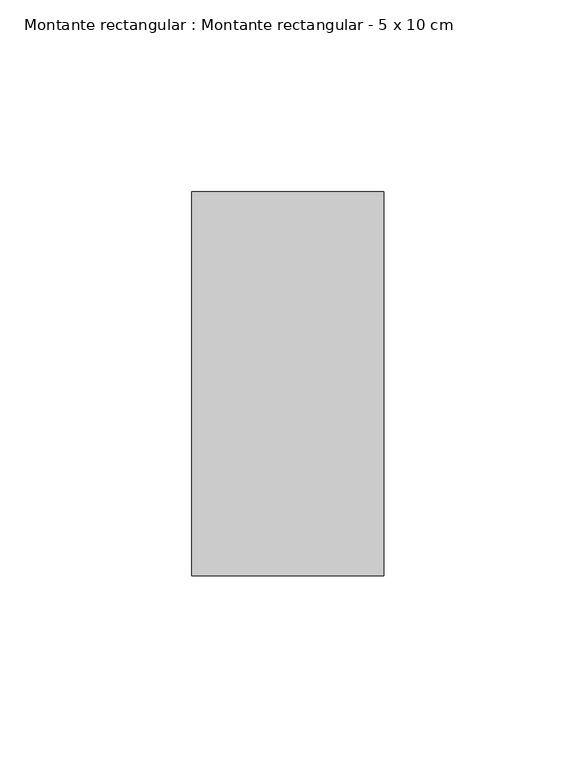
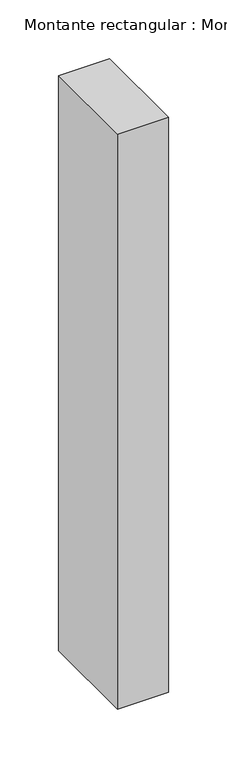
"""IFC4 building model written with IfcOpenShell, lengths in millimetres: member geometry, Montante rectangular : Montante rectangular - 5 x 10 cm."""

from ifc_helpers import new_model, si_unit, frame, origin, place, context, project, spatial, polyline, outline, extrude, source, transform, mapped, element, save


def montante_rectangular_montante_rectangular_5_x_10_cm_703280c7(model_context):
    return source(origin(), model_context, "Body", "SweptSolid", [
        extrude(outline(polyline([(0.0, 50.0), (0.0, -50.0), (-50.0, -50.0), (-50.0, 50.0), (0.0, 50.0)])), frame((0.0, 0.0, -597.0), z_axis=(0.0, 0.0, 1.0), x_axis=(1.0, 0.0, 0.0)), (0.0, 0.0, 1.0), 597.0),
    ])


if __name__ == "__main__":
    model = new_model("IFC4")
    model_context = context("Model", 3, world=origin())
    ifc_project = project(units=[si_unit("LENGTHUNIT", "METRE", prefix="MILLI")], contexts=[model_context])
    site = spatial("IfcSite", under=ifc_project)
    building = spatial("IfcBuilding", under=site)
    placement = place(None, origin())
    montante_rectangular_montante_rectangular_5_x_10_cm_shape = montante_rectangular_montante_rectangular_5_x_10_cm_703280c7(model_context)
    element("IfcMember", 1, ObjectType="Montante rectangular : Montante rectangular - 5 x 10 cm", at=placement, inside=building, context=model_context, shape_type="MappedRepresentation", body=[
        mapped(montante_rectangular_montante_rectangular_5_x_10_cm_shape, transform((0.0, 0.0, 0.0), x_axis=(1.0, 0.0, 0.0), y_axis=(0.0, 1.0, 0.0), z_axis=(0.0, 0.0, 1.0))),
    ])
    save(model, "model.ifc")
